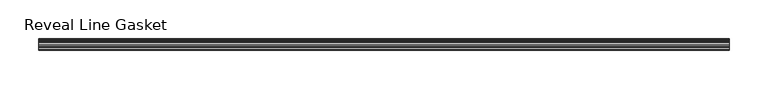
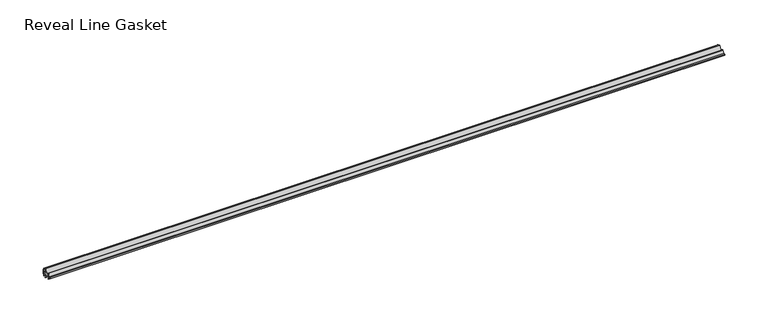
"""IFC4 building model written with IfcOpenShell, lengths in millimetres: furniture geometry, Reveal Line Gasket."""

from ifc_helpers import new_model, si_unit, point, frame, frame_2d, origin, place, context, project, spatial, polyline, circle_curve, trimmed, segment, composite_curve, outline, extrude, source, transform, mapped, element, save


def reveal_line_gasket_9a14d27f(model_context):
    return source(origin(), model_context, "Body", "SweptSolid", [
        extrude(outline(composite_curve([segment(polyline([(7.6326998, 1603.2), (7.6326998, 1597.2), (7.4091917, 1596.2445073), (6.8813059, 1595.3115316)]), True, "CONTINUOUS"), segment(trimmed(circle_curve(frame_2d((6.5243141, 1595.5135207)), 0.4101739), [point((6.8813059, 1595.3115316))], [point((6.1246704, 1595.6058653))], False, "CARTESIAN"), True, "CONTINUOUS"), segment(polyline([(6.1246704, 1595.6058653), (6.3626997, 1597.3020914), (6.3626997, 1599.3345473)]), True, "CONTINUOUS"), segment(trimmed(circle_curve(frame_2d((5.6959605, 1598.9180742)), 0.786124), [point((6.3626997, 1599.3345473))], [point((5.0926996, 1599.422125))], True, "CARTESIAN"), True, "CONTINUOUS"), segment(polyline([(5.0926996, 1599.422125), (0.7492996, 1599.422125), (3.7293824, 1594.2604705)]), True, "CONTINUOUS"), segment(trimmed(circle_curve(frame_2d((3.3132479, 1594.1950239)), 0.4212495), [point((3.7293824, 1594.2604705))], [point((3.0485022, 1593.8673642))], False, "CARTESIAN"), True, "CONTINUOUS"), segment(polyline([(3.0485022, 1593.8673642), (-0.5742594, 1599.422125), (-4.8262978, 1599.422125), (-3.1660374, 1596.5464703)]), True, "CONTINUOUS"), segment(trimmed(circle_curve(frame_2d((-3.5978728, 1596.4881145)), 0.4357605), [point((-3.1660374, 1596.5464703))], [point((-3.864328, 1596.1433119))], False, "CARTESIAN"), True, "CONTINUOUS"), segment(polyline([(-3.864328, 1596.1433119), (-6.1944059, 1599.422125), (-7.6326998, 1599.422125), (-7.6326998, 1600.977875), (-6.1944059, 1600.977875), (-3.864328, 1604.2566881)]), True, "CONTINUOUS"), segment(trimmed(circle_curve(frame_2d((-3.5978728, 1603.9118855)), 0.4357605), [point((-3.864328, 1604.2566881))], [point((-3.1660374, 1603.8535297))], False, "CARTESIAN"), True, "CONTINUOUS"), segment(polyline([(-3.1660374, 1603.8535297), (-4.8262978, 1600.977875), (-0.5742594, 1600.977875), (3.0485022, 1606.5326358)]), True, "CONTINUOUS"), segment(trimmed(circle_curve(frame_2d((3.3132479, 1606.2049761)), 0.4212495), [point((3.0485022, 1606.5326358))], [point((3.7293824, 1606.1395295))], False, "CARTESIAN"), True, "CONTINUOUS"), segment(polyline([(3.7293824, 1606.1395295), (0.7492996, 1600.977875), (5.0926996, 1600.977875)]), True, "CONTINUOUS"), segment(trimmed(circle_curve(frame_2d((5.6959605, 1601.4819258)), 0.786124), [point((5.0926996, 1600.977875))], [point((6.3626997, 1601.0654527))], True, "CARTESIAN"), True, "CONTINUOUS"), segment(polyline([(6.3626997, 1601.0654527), (6.3626997, 1603.0979086), (6.1246704, 1604.7941347)]), True, "CONTINUOUS"), segment(trimmed(circle_curve(frame_2d((6.5243141, 1604.8864793)), 0.4101739), [point((6.1246704, 1604.7941347))], [point((6.8813059, 1605.0884684))], False, "CARTESIAN"), True, "CONTINUOUS"), segment(polyline([(6.8813059, 1605.0884684), (7.4091917, 1604.1554927), (7.6326998, 1603.2)]), True, "CONTINUOUS")], self_intersect=False)), frame((-448.1315163, 0.0, 0.0), z_axis=(1.0, 0.0, 0.0), x_axis=(0.0, 1.0, 0.0)), (0.0, 0.0, 1.0), 896.2630326),
    ])


if __name__ == "__main__":
    model = new_model("IFC4")
    model_context = context("Model", 3, world=origin())
    ifc_project = project(units=[si_unit("LENGTHUNIT", "METRE", prefix="MILLI")], contexts=[model_context])
    site = spatial("IfcSite", under=ifc_project)
    building = spatial("IfcBuilding", under=site)
    placement = place(None, origin())
    reveal_line_gasket_shape = reveal_line_gasket_9a14d27f(model_context)
    element("IfcFurniture", 1, ObjectType="Reveal Line Gasket", at=placement, inside=building, context=model_context, shape_type="MappedRepresentation", body=[
        mapped(reveal_line_gasket_shape, transform((0.0, 0.0, 0.0), x_axis=(1.0, 0.0, 0.0), y_axis=(0.0, 1.0, 0.0), z_axis=(0.0, 0.0, 1.0))),
    ])
    save(model, "model.ifc")
